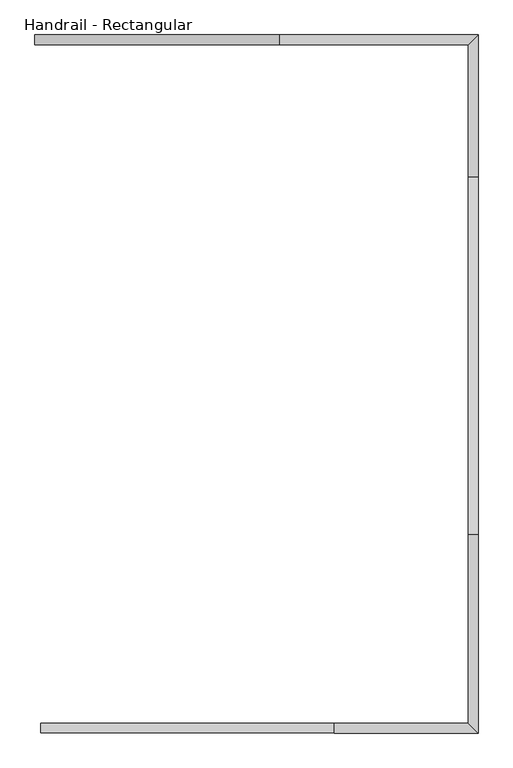
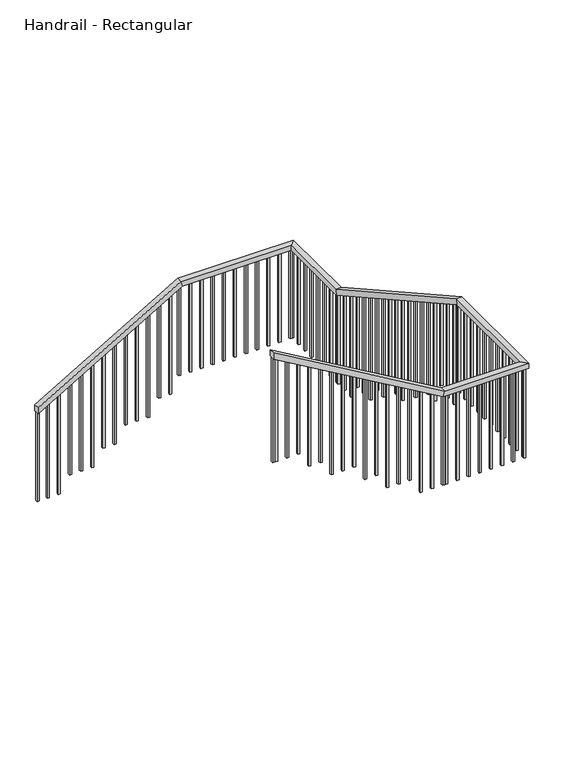
"""IFC4 building model written with IfcOpenShell, lengths in millimetres: railing geometry, Handrail - Rectangular."""

from ifc_helpers import new_model, si_unit, frame, origin, place, context, project, spatial, polyline, outline, extrude, faceted_brep, source, transform, mapped, element, save


def handrail_rectangular_fb0cb64d(model_context):
    return source(origin(), model_context, "Body", "SolidModel", [
        faceted_brep([(1234.6563517, 4473.2830185, 1216.5052632), (1234.6563517, 4473.2830185, 1157.6506912), (1234.6563517, 4422.4830185, 1157.6506912), (1234.6563517, 4422.4830185, 1216.5052632), (2534.6563517, 4473.2830185, 1977.0315789), (2548.4243744, 4473.2830185, 1926.2315789), (2548.4243744, 4422.4830185, 1926.2315789), (2534.6563517, 4422.4830185, 1977.0315789), (3591.8063517, 4473.2830185, 1977.0315789), (3591.8063517, 4473.2830185, 1926.2315789), (3541.0063517, 4422.4830185, 1926.2315789), (3541.0063517, 4422.4830185, 1977.0315789), (3591.8063517, 3719.6625471, 1977.0315789), (3591.8063517, 3706.4139583, 1926.2315789), (3541.0063517, 3706.4139583, 1926.2315789), (3541.0063517, 3719.6625471, 1977.0315789), (3591.8063517, 1817.2058469, 3041.7684211), (3591.8063517, 1803.9572581, 2990.9684211), (3541.0063517, 1803.9572581, 2990.9684211), (3541.0063517, 1817.2058469, 3041.7684211), (3591.8063517, 760.0558469, 3041.7684211), (3591.8063517, 760.0558469, 2990.9684211), (3541.0063517, 810.8558469, 2990.9684211), (3541.0063517, 810.8558469, 3041.7684211), (2826.4063517, 760.0558469, 3041.7684211), (2812.638329, 760.0558469, 2990.9684211), (2812.638329, 810.8558469, 2990.9684211), (2826.4063517, 810.8558469, 3041.7684211), (1266.4063517, 760.0558469, 3954.4), (1266.4063517, 810.8558469, 3954.4), (1266.4063517, 810.8558469, 3895.545428), (1266.4063517, 760.0558469, 3895.545428)], [[[0, 1, 2, 3]], [[1, 0, 4, 5]], [[2, 1, 5, 6]], [[3, 2, 6, 7]], [[0, 3, 7, 4]], [[5, 4, 8, 9]], [[6, 5, 9, 10]], [[7, 6, 10, 11]], [[4, 7, 11, 8]], [[9, 8, 12, 13]], [[10, 9, 13, 14]], [[11, 10, 14, 15]], [[8, 11, 15, 12]], [[13, 12, 16, 17]], [[14, 13, 17, 18]], [[15, 14, 18, 19]], [[12, 15, 19, 16]], [[17, 16, 20, 21]], [[18, 17, 21, 22]], [[19, 18, 22, 23]], [[16, 19, 23, 20]], [[21, 20, 24, 25]], [[22, 21, 25, 26]], [[23, 22, 26, 27]], [[20, 23, 27, 24]], [[28, 29, 30, 31]], [[25, 24, 28, 31]], [[26, 25, 31, 30]], [[27, 26, 30, 29]], [[24, 27, 29, 28]]]),
        extrude(outline(polyline([(3880.0570171, 1292.8813517), (2887.8947368, 1292.8813517), (2887.8947368, 1311.9313517), (3868.9123814, 1311.9313517), (3880.0570171, 1292.8813517)])), frame((0.0, 775.9308469, 0.0), z_axis=(0.0, 1.0, 0.0), x_axis=(0.0, 0.0, 1.0)), (0.0, 0.0, 1.0), 19.05),
        extrude(outline(polyline([(3820.6189604, 1394.4813517), (2887.8947368, 1394.4813517), (2887.8947368, 1413.5313517), (3809.4743248, 1413.5313517), (3820.6189604, 1394.4813517)])), frame((0.0, 775.9308469, 0.0), z_axis=(0.0, 1.0, 0.0), x_axis=(0.0, 0.0, 1.0)), (0.0, 0.0, 1.0), 19.05),
        extrude(outline(polyline([(3761.1809037, 1496.0813517), (2887.8947368, 1496.0813517), (2887.8947368, 1515.1313517), (3750.0362681, 1515.1313517), (3761.1809037, 1496.0813517)])), frame((0.0, 775.9308469, 0.0), z_axis=(0.0, 1.0, 0.0), x_axis=(0.0, 0.0, 1.0)), (0.0, 0.0, 1.0), 19.05),
        extrude(outline(polyline([(3701.742847, 1597.6813517), (2735.7894737, 1597.6813517), (2735.7894737, 1616.7313517), (3690.5982114, 1616.7313517), (3701.742847, 1597.6813517)])), frame((0.0, 775.9308469, 0.0), z_axis=(0.0, 1.0, 0.0), x_axis=(0.0, 0.0, 1.0)), (0.0, 0.0, 1.0), 19.05),
        extrude(outline(polyline([(3642.3047903, 1699.2813517), (2735.7894737, 1699.2813517), (2735.7894737, 1718.3313517), (3631.1601547, 1718.3313517), (3642.3047903, 1699.2813517)])), frame((0.0, 775.9308469, 0.0), z_axis=(0.0, 1.0, 0.0), x_axis=(0.0, 0.0, 1.0)), (0.0, 0.0, 1.0), 19.05),
        extrude(outline(polyline([(3582.8667337, 1800.8813517), (2583.6842105, 1800.8813517), (2583.6842105, 1819.9313517), (3571.722098, 1819.9313517), (3582.8667337, 1800.8813517)])), frame((0.0, 775.9308469, 0.0), z_axis=(0.0, 1.0, 0.0), x_axis=(0.0, 0.0, 1.0)), (0.0, 0.0, 1.0), 19.05),
        extrude(outline(polyline([(3523.428677, 1902.4813517), (2583.6842105, 1902.4813517), (2583.6842105, 1921.5313517), (3512.2840414, 1921.5313517), (3523.428677, 1902.4813517)])), frame((0.0, 775.9308469, 0.0), z_axis=(0.0, 1.0, 0.0), x_axis=(0.0, 0.0, 1.0)), (0.0, 0.0, 1.0), 19.05),
        extrude(outline(polyline([(3463.9906203, 2004.0813517), (2583.6842105, 2004.0813517), (2583.6842105, 2023.1313517), (3452.8459847, 2023.1313517), (3463.9906203, 2004.0813517)])), frame((0.0, 775.9308469, 0.0), z_axis=(0.0, 1.0, 0.0), x_axis=(0.0, 0.0, 1.0)), (0.0, 0.0, 1.0), 19.05),
        extrude(outline(polyline([(3404.5525636, 2105.6813517), (2431.5789474, 2105.6813517), (2431.5789474, 2124.7313517), (3393.407928, 2124.7313517), (3404.5525636, 2105.6813517)])), frame((0.0, 775.9308469, 0.0), z_axis=(0.0, 1.0, 0.0), x_axis=(0.0, 0.0, 1.0)), (0.0, 0.0, 1.0), 19.05),
        extrude(outline(polyline([(3345.1145069, 2207.2813517), (2431.5789474, 2207.2813517), (2431.5789474, 2226.3313517), (3333.9698713, 2226.3313517), (3345.1145069, 2207.2813517)])), frame((0.0, 775.9308469, 0.0), z_axis=(0.0, 1.0, 0.0), x_axis=(0.0, 0.0, 1.0)), (0.0, 0.0, 1.0), 19.05),
        extrude(outline(polyline([(3285.6764503, 2308.8813517), (2279.4736842, 2308.8813517), (2279.4736842, 2327.9313517), (3274.5318146, 2327.9313517), (3285.6764503, 2308.8813517)])), frame((0.0, 775.9308469, 0.0), z_axis=(0.0, 1.0, 0.0), x_axis=(0.0, 0.0, 1.0)), (0.0, 0.0, 1.0), 19.05),
        extrude(outline(polyline([(3226.2383936, 2410.4813517), (2279.4736842, 2410.4813517), (2279.4736842, 2429.5313517), (3215.093758, 2429.5313517), (3226.2383936, 2410.4813517)])), frame((0.0, 775.9308469, 0.0), z_axis=(0.0, 1.0, 0.0), x_axis=(0.0, 0.0, 1.0)), (0.0, 0.0, 1.0), 19.05),
        extrude(outline(polyline([(3166.8003369, 2512.0813517), (2279.4736842, 2512.0813517), (2279.4736842, 2531.1313517), (3155.6557013, 2531.1313517), (3166.8003369, 2512.0813517)])), frame((0.0, 775.9308469, 0.0), z_axis=(0.0, 1.0, 0.0), x_axis=(0.0, 0.0, 1.0)), (0.0, 0.0, 1.0), 19.05),
        extrude(outline(polyline([(3107.3622802, 2613.6813517), (2127.3684211, 2613.6813517), (2127.3684211, 2632.7313517), (3096.2176446, 2632.7313517), (3107.3622802, 2613.6813517)])), frame((0.0, 775.9308469, 0.0), z_axis=(0.0, 1.0, 0.0), x_axis=(0.0, 0.0, 1.0)), (0.0, 0.0, 1.0), 19.05),
        extrude(outline(polyline([(3047.9242235, 2715.2813517), (2127.3684211, 2715.2813517), (2127.3684211, 2734.3313517), (3036.7795879, 2734.3313517), (3047.9242235, 2715.2813517)])), frame((0.0, 775.9308469, 0.0), z_axis=(0.0, 1.0, 0.0), x_axis=(0.0, 0.0, 1.0)), (0.0, 0.0, 1.0), 19.05),
        extrude(outline(polyline([(2864.7313517, 775.9308469), (2845.6813517, 775.9308469), (2845.6813517, 794.9808469), (2864.7313517, 794.9808469), (2864.7313517, 775.9308469)])), frame((0.0, 0.0, 2127.3684211), z_axis=(0.0, 0.0, 1.0), x_axis=(1.0, 0.0, 0.0)), (0.0, 0.0, 1.0), 863.6),
        extrude(outline(polyline([(2966.3313517, 775.9308469), (2947.2813517, 775.9308469), (2947.2813517, 794.9808469), (2966.3313517, 794.9808469), (2966.3313517, 775.9308469)])), frame((0.0, 0.0, 2127.3684211), z_axis=(0.0, 0.0, 1.0), x_axis=(1.0, 0.0, 0.0)), (0.0, 0.0, 1.0), 863.6),
        extrude(outline(polyline([(3067.9313517, 775.9308469), (3048.8813517, 775.9308469), (3048.8813517, 794.9808469), (3067.9313517, 794.9808469), (3067.9313517, 775.9308469)])), frame((0.0, 0.0, 2127.3684211), z_axis=(0.0, 0.0, 1.0), x_axis=(1.0, 0.0, 0.0)), (0.0, 0.0, 1.0), 863.6),
        extrude(outline(polyline([(3169.5313517, 775.9308469), (3150.4813517, 775.9308469), (3150.4813517, 794.9808469), (3169.5313517, 794.9808469), (3169.5313517, 775.9308469)])), frame((0.0, 0.0, 2127.3684211), z_axis=(0.0, 0.0, 1.0), x_axis=(1.0, 0.0, 0.0)), (0.0, 0.0, 1.0), 863.6),
        extrude(outline(polyline([(3271.1313517, 775.9308469), (3252.0813517, 775.9308469), (3252.0813517, 794.9808469), (3271.1313517, 794.9808469), (3271.1313517, 775.9308469)])), frame((0.0, 0.0, 2127.3684211), z_axis=(0.0, 0.0, 1.0), x_axis=(1.0, 0.0, 0.0)), (0.0, 0.0, 1.0), 863.6),
        extrude(outline(polyline([(3372.7313517, 775.9308469), (3353.6813517, 775.9308469), (3353.6813517, 794.9808469), (3372.7313517, 794.9808469), (3372.7313517, 775.9308469)])), frame((0.0, 0.0, 2127.3684211), z_axis=(0.0, 0.0, 1.0), x_axis=(1.0, 0.0, 0.0)), (0.0, 0.0, 1.0), 863.6),
        extrude(outline(polyline([(3474.3313517, 775.9308469), (3455.2813517, 775.9308469), (3455.2813517, 794.9808469), (3474.3313517, 794.9808469), (3474.3313517, 775.9308469)])), frame((0.0, 0.0, 2127.3684211), z_axis=(0.0, 0.0, 1.0), x_axis=(1.0, 0.0, 0.0)), (0.0, 0.0, 1.0), 863.6),
        extrude(outline(polyline([(3575.9313517, 810.7308469), (3575.9313517, 791.6808469), (3556.8813517, 791.6808469), (3556.8813517, 810.7308469), (3575.9313517, 810.7308469)])), frame((0.0, 0.0, 2127.3684211), z_axis=(0.0, 0.0, 1.0), x_axis=(1.0, 0.0, 0.0)), (0.0, 0.0, 1.0), 863.6),
        extrude(outline(polyline([(3575.9313517, 912.3308469), (3575.9313517, 893.2808469), (3556.8813517, 893.2808469), (3556.8813517, 912.3308469), (3575.9313517, 912.3308469)])), frame((0.0, 0.0, 2127.3684211), z_axis=(0.0, 0.0, 1.0), x_axis=(1.0, 0.0, 0.0)), (0.0, 0.0, 1.0), 863.6),
        extrude(outline(polyline([(3575.9313517, 1013.9308469), (3575.9313517, 994.8808469), (3556.8813517, 994.8808469), (3556.8813517, 1013.9308469), (3575.9313517, 1013.9308469)])), frame((0.0, 0.0, 2127.3684211), z_axis=(0.0, 0.0, 1.0), x_axis=(1.0, 0.0, 0.0)), (0.0, 0.0, 1.0), 863.6),
        extrude(outline(polyline([(3575.9313517, 1115.5308469), (3575.9313517, 1096.4808469), (3556.8813517, 1096.4808469), (3556.8813517, 1115.5308469), (3575.9313517, 1115.5308469)])), frame((0.0, 0.0, 2127.3684211), z_axis=(0.0, 0.0, 1.0), x_axis=(1.0, 0.0, 0.0)), (0.0, 0.0, 1.0), 863.6),
        extrude(outline(polyline([(3575.9313517, 1217.1308469), (3575.9313517, 1198.0808469), (3556.8813517, 1198.0808469), (3556.8813517, 1217.1308469), (3575.9313517, 1217.1308469)])), frame((0.0, 0.0, 2127.3684211), z_axis=(0.0, 0.0, 1.0), x_axis=(1.0, 0.0, 0.0)), (0.0, 0.0, 1.0), 863.6),
        extrude(outline(polyline([(3575.9313517, 1318.7308469), (3575.9313517, 1299.6808469), (3556.8813517, 1299.6808469), (3556.8813517, 1318.7308469), (3575.9313517, 1318.7308469)])), frame((0.0, 0.0, 2127.3684211), z_axis=(0.0, 0.0, 1.0), x_axis=(1.0, 0.0, 0.0)), (0.0, 0.0, 1.0), 863.6),
        extrude(outline(polyline([(3575.9313517, 1420.3308469), (3575.9313517, 1401.2808469), (3556.8813517, 1401.2808469), (3556.8813517, 1420.3308469), (3575.9313517, 1420.3308469)])), frame((0.0, 0.0, 2127.3684211), z_axis=(0.0, 0.0, 1.0), x_axis=(1.0, 0.0, 0.0)), (0.0, 0.0, 1.0), 863.6),
        extrude(outline(polyline([(3575.9313517, 1521.9308469), (3575.9313517, 1502.8808469), (3556.8813517, 1502.8808469), (3556.8813517, 1521.9308469), (3575.9313517, 1521.9308469)])), frame((0.0, 0.0, 2127.3684211), z_axis=(0.0, 0.0, 1.0), x_axis=(1.0, 0.0, 0.0)), (0.0, 0.0, 1.0), 863.6),
        extrude(outline(polyline([(3575.9313517, 1623.5308469), (3575.9313517, 1604.4808469), (3556.8813517, 1604.4808469), (3556.8813517, 1623.5308469), (3575.9313517, 1623.5308469)])), frame((0.0, 0.0, 2127.3684211), z_axis=(0.0, 0.0, 1.0), x_axis=(1.0, 0.0, 0.0)), (0.0, 0.0, 1.0), 863.6),
        extrude(outline(polyline([(3575.9313517, 1725.1308469), (3575.9313517, 1706.0808469), (3556.8813517, 1706.0808469), (3556.8813517, 1725.1308469), (3575.9313517, 1725.1308469)])), frame((0.0, 0.0, 2127.3684211), z_axis=(0.0, 0.0, 1.0), x_axis=(1.0, 0.0, 0.0)), (0.0, 0.0, 1.0), 863.6),
        extrude(outline(polyline([(1900.3875471, 2936.9998438), (1900.3875471, 1975.2631579), (1881.3375471, 1975.2631579), (1881.3375471, 2947.6614461), (1900.3875471, 2936.9998438)])), frame((3556.8813517, 0.0, 0.0), z_axis=(1.0, 0.0, 0.0), x_axis=(0.0, 1.0, 0.0)), (0.0, 0.0, 1.0), 19.05),
        extrude(outline(polyline([(2001.9875471, 2880.1379645), (2001.9875471, 1975.2631579), (1982.9375471, 1975.2631579), (1982.9375471, 2890.7995669), (2001.9875471, 2880.1379645)])), frame((3556.8813517, 0.0, 0.0), z_axis=(1.0, 0.0, 0.0), x_axis=(0.0, 1.0, 0.0)), (0.0, 0.0, 1.0), 19.05),
        extrude(outline(polyline([(2103.5875471, 2823.2760853), (2103.5875471, 2022.9363571), (2084.5375471, 2033.5979595), (2084.5375471, 2833.9376876), (2103.5875471, 2823.2760853)])), frame((3556.8813517, 0.0, 0.0), z_axis=(1.0, 0.0, 0.0), x_axis=(0.0, 1.0, 0.0)), (0.0, 0.0, 1.0), 19.05),
        extrude(outline(polyline([(2205.1875471, 2766.414206), (2205.1875471, 1823.1578947), (2186.1375471, 1823.1578947), (2186.1375471, 2777.0758084), (2205.1875471, 2766.414206)])), frame((3556.8813517, 0.0, 0.0), z_axis=(1.0, 0.0, 0.0), x_axis=(0.0, 1.0, 0.0)), (0.0, 0.0, 1.0), 19.05),
        extrude(outline(polyline([(2306.7875471, 2709.5523268), (2306.7875471, 1823.1578947), (2287.7375471, 1823.1578947), (2287.7375471, 2720.2139292), (2306.7875471, 2709.5523268)])), frame((3556.8813517, 0.0, 0.0), z_axis=(1.0, 0.0, 0.0), x_axis=(0.0, 1.0, 0.0)), (0.0, 0.0, 1.0), 19.05),
        extrude(outline(polyline([(2408.3875471, 2652.6904475), (2408.3875471, 1852.3507194), (2389.3375471, 1863.0123218), (2389.3375471, 2663.3520499), (2408.3875471, 2652.6904475)])), frame((3556.8813517, 0.0, 0.0), z_axis=(1.0, 0.0, 0.0), x_axis=(0.0, 1.0, 0.0)), (0.0, 0.0, 1.0), 19.05),
        extrude(outline(polyline([(2509.9875471, 2595.8285683), (2509.9875471, 1671.0526316), (2490.9375471, 1671.0526316), (2490.9375471, 2606.4901707), (2509.9875471, 2595.8285683)])), frame((3556.8813517, 0.0, 0.0), z_axis=(1.0, 0.0, 0.0), x_axis=(0.0, 1.0, 0.0)), (0.0, 0.0, 1.0), 19.05),
        extrude(outline(polyline([(2611.5875471, 2538.9666891), (2611.5875471, 1671.0526316), (2592.5375471, 1671.0526316), (2592.5375471, 2549.6282914), (2611.5875471, 2538.9666891)])), frame((3556.8813517, 0.0, 0.0), z_axis=(1.0, 0.0, 0.0), x_axis=(0.0, 1.0, 0.0)), (0.0, 0.0, 1.0), 19.05),
        extrude(outline(polyline([(2713.1875471, 2482.1048098), (2713.1875471, 1518.9473684), (2694.1375471, 1518.9473684), (2694.1375471, 2492.7664122), (2713.1875471, 2482.1048098)])), frame((3556.8813517, 0.0, 0.0), z_axis=(1.0, 0.0, 0.0), x_axis=(0.0, 1.0, 0.0)), (0.0, 0.0, 1.0), 19.05),
        extrude(outline(polyline([(2814.7875471, 2425.2429306), (2814.7875471, 1518.9473684), (2795.7375471, 1518.9473684), (2795.7375471, 2435.9045329), (2814.7875471, 2425.2429306)])), frame((3556.8813517, 0.0, 0.0), z_axis=(1.0, 0.0, 0.0), x_axis=(0.0, 1.0, 0.0)), (0.0, 0.0, 1.0), 19.05),
        extrude(outline(polyline([(2916.3875471, 2368.3810513), (2916.3875471, 1568.0413232), (2897.3375471, 1578.7029255), (2897.3375471, 2379.0426537), (2916.3875471, 2368.3810513)])), frame((3556.8813517, 0.0, 0.0), z_axis=(1.0, 0.0, 0.0), x_axis=(0.0, 1.0, 0.0)), (0.0, 0.0, 1.0), 19.05),
        extrude(outline(polyline([(3017.9875471, 2311.5191721), (3017.9875471, 1366.8421053), (2998.9375471, 1366.8421053), (2998.9375471, 2322.1807744), (3017.9875471, 2311.5191721)])), frame((3556.8813517, 0.0, 0.0), z_axis=(1.0, 0.0, 0.0), x_axis=(0.0, 1.0, 0.0)), (0.0, 0.0, 1.0), 19.05),
        extrude(outline(polyline([(3119.5875471, 2254.6572928), (3119.5875471, 1366.8421053), (3100.5375471, 1366.8421053), (3100.5375471, 2265.3188952), (3119.5875471, 2254.6572928)])), frame((3556.8813517, 0.0, 0.0), z_axis=(1.0, 0.0, 0.0), x_axis=(0.0, 1.0, 0.0)), (0.0, 0.0, 1.0), 19.05),
        extrude(outline(polyline([(3221.1875471, 2197.7954136), (3221.1875471, 1214.7368421), (3202.1375471, 1214.7368421), (3202.1375471, 2208.457016), (3221.1875471, 2197.7954136)])), frame((3556.8813517, 0.0, 0.0), z_axis=(1.0, 0.0, 0.0), x_axis=(0.0, 1.0, 0.0)), (0.0, 0.0, 1.0), 19.05),
        extrude(outline(polyline([(3322.7875471, 2140.9335344), (3322.7875471, 1214.7368421), (3303.7375471, 1214.7368421), (3303.7375471, 2151.5951367), (3322.7875471, 2140.9335344)])), frame((3556.8813517, 0.0, 0.0), z_axis=(1.0, 0.0, 0.0), x_axis=(0.0, 1.0, 0.0)), (0.0, 0.0, 1.0), 19.05),
        extrude(outline(polyline([(3424.3875471, 2084.0716551), (3424.3875471, 1214.7368421), (3405.3375471, 1214.7368421), (3405.3375471, 2094.7332575), (3424.3875471, 2084.0716551)])), frame((3556.8813517, 0.0, 0.0), z_axis=(1.0, 0.0, 0.0), x_axis=(0.0, 1.0, 0.0)), (0.0, 0.0, 1.0), 19.05),
        extrude(outline(polyline([(3525.9875471, 2027.2097759), (3525.9875471, 1062.6315789), (3506.9375471, 1062.6315789), (3506.9375471, 2037.8713782), (3525.9875471, 2027.2097759)])), frame((3556.8813517, 0.0, 0.0), z_axis=(1.0, 0.0, 0.0), x_axis=(0.0, 1.0, 0.0)), (0.0, 0.0, 1.0), 19.05),
        extrude(outline(polyline([(3627.5875471, 1970.3478966), (3627.5875471, 1062.6315789), (3608.5375471, 1062.6315789), (3608.5375471, 1981.009499), (3627.5875471, 1970.3478966)])), frame((3556.8813517, 0.0, 0.0), z_axis=(1.0, 0.0, 0.0), x_axis=(0.0, 1.0, 0.0)), (0.0, 0.0, 1.0), 19.05),
        extrude(outline(polyline([(3575.9313517, 3746.2080185), (3575.9313517, 3727.1580185), (3556.8813517, 3727.1580185), (3556.8813517, 3746.2080185), (3575.9313517, 3746.2080185)])), frame((0.0, 0.0, 1062.6315789), z_axis=(0.0, 0.0, 1.0), x_axis=(1.0, 0.0, 0.0)), (0.0, 0.0, 1.0), 863.6),
        extrude(outline(polyline([(3575.9313517, 3847.8080185), (3575.9313517, 3828.7580185), (3556.8813517, 3828.7580185), (3556.8813517, 3847.8080185), (3575.9313517, 3847.8080185)])), frame((0.0, 0.0, 1062.6315789), z_axis=(0.0, 0.0, 1.0), x_axis=(1.0, 0.0, 0.0)), (0.0, 0.0, 1.0), 863.6),
        extrude(outline(polyline([(3575.9313517, 3949.4080185), (3575.9313517, 3930.3580185), (3556.8813517, 3930.3580185), (3556.8813517, 3949.4080185), (3575.9313517, 3949.4080185)])), frame((0.0, 0.0, 1062.6315789), z_axis=(0.0, 0.0, 1.0), x_axis=(1.0, 0.0, 0.0)), (0.0, 0.0, 1.0), 863.6),
        extrude(outline(polyline([(3575.9313517, 4051.0080185), (3575.9313517, 4031.9580185), (3556.8813517, 4031.9580185), (3556.8813517, 4051.0080185), (3575.9313517, 4051.0080185)])), frame((0.0, 0.0, 1062.6315789), z_axis=(0.0, 0.0, 1.0), x_axis=(1.0, 0.0, 0.0)), (0.0, 0.0, 1.0), 863.6),
        extrude(outline(polyline([(3575.9313517, 4152.6080185), (3575.9313517, 4133.5580185), (3556.8813517, 4133.5580185), (3556.8813517, 4152.6080185), (3575.9313517, 4152.6080185)])), frame((0.0, 0.0, 1062.6315789), z_axis=(0.0, 0.0, 1.0), x_axis=(1.0, 0.0, 0.0)), (0.0, 0.0, 1.0), 863.6),
        extrude(outline(polyline([(3575.9313517, 4254.2080185), (3575.9313517, 4235.1580185), (3556.8813517, 4235.1580185), (3556.8813517, 4254.2080185), (3575.9313517, 4254.2080185)])), frame((0.0, 0.0, 1062.6315789), z_axis=(0.0, 0.0, 1.0), x_axis=(1.0, 0.0, 0.0)), (0.0, 0.0, 1.0), 863.6),
        extrude(outline(polyline([(3575.9313517, 4355.8080185), (3575.9313517, 4336.7580185), (3556.8813517, 4336.7580185), (3556.8813517, 4355.8080185), (3575.9313517, 4355.8080185)])), frame((0.0, 0.0, 1062.6315789), z_axis=(0.0, 0.0, 1.0), x_axis=(1.0, 0.0, 0.0)), (0.0, 0.0, 1.0), 863.6),
        extrude(outline(polyline([(3541.1313517, 4457.4080185), (3560.1813517, 4457.4080185), (3560.1813517, 4438.3580185), (3541.1313517, 4438.3580185), (3541.1313517, 4457.4080185)])), frame((0.0, 0.0, 1062.6315789), z_axis=(0.0, 0.0, 1.0), x_axis=(1.0, 0.0, 0.0)), (0.0, 0.0, 1.0), 863.6),
        extrude(outline(polyline([(3439.5313517, 4457.4080185), (3458.5813517, 4457.4080185), (3458.5813517, 4438.3580185), (3439.5313517, 4438.3580185), (3439.5313517, 4457.4080185)])), frame((0.0, 0.0, 1062.6315789), z_axis=(0.0, 0.0, 1.0), x_axis=(1.0, 0.0, 0.0)), (0.0, 0.0, 1.0), 863.6),
        extrude(outline(polyline([(3337.9313517, 4457.4080185), (3356.9813517, 4457.4080185), (3356.9813517, 4438.3580185), (3337.9313517, 4438.3580185), (3337.9313517, 4457.4080185)])), frame((0.0, 0.0, 1062.6315789), z_axis=(0.0, 0.0, 1.0), x_axis=(1.0, 0.0, 0.0)), (0.0, 0.0, 1.0), 863.6),
        extrude(outline(polyline([(3236.3313517, 4457.4080185), (3255.3813517, 4457.4080185), (3255.3813517, 4438.3580185), (3236.3313517, 4438.3580185), (3236.3313517, 4457.4080185)])), frame((0.0, 0.0, 1062.6315789), z_axis=(0.0, 0.0, 1.0), x_axis=(1.0, 0.0, 0.0)), (0.0, 0.0, 1.0), 863.6),
        extrude(outline(polyline([(3134.7313517, 4457.4080185), (3153.7813517, 4457.4080185), (3153.7813517, 4438.3580185), (3134.7313517, 4438.3580185), (3134.7313517, 4457.4080185)])), frame((0.0, 0.0, 1062.6315789), z_axis=(0.0, 0.0, 1.0), x_axis=(1.0, 0.0, 0.0)), (0.0, 0.0, 1.0), 863.6),
        extrude(outline(polyline([(3033.1313517, 4457.4080185), (3052.1813517, 4457.4080185), (3052.1813517, 4438.3580185), (3033.1313517, 4438.3580185), (3033.1313517, 4457.4080185)])), frame((0.0, 0.0, 1062.6315789), z_axis=(0.0, 0.0, 1.0), x_axis=(1.0, 0.0, 0.0)), (0.0, 0.0, 1.0), 863.6),
        extrude(outline(polyline([(2931.5313517, 4457.4080185), (2950.5813517, 4457.4080185), (2950.5813517, 4438.3580185), (2931.5313517, 4438.3580185), (2931.5313517, 4457.4080185)])), frame((0.0, 0.0, 1062.6315789), z_axis=(0.0, 0.0, 1.0), x_axis=(1.0, 0.0, 0.0)), (0.0, 0.0, 1.0), 863.6),
        extrude(outline(polyline([(2829.9313517, 4457.4080185), (2848.9813517, 4457.4080185), (2848.9813517, 4438.3580185), (2829.9313517, 4438.3580185), (2829.9313517, 4457.4080185)])), frame((0.0, 0.0, 1062.6315789), z_axis=(0.0, 0.0, 1.0), x_axis=(1.0, 0.0, 0.0)), (0.0, 0.0, 1.0), 863.6),
        extrude(outline(polyline([(2728.3313517, 4457.4080185), (2747.3813517, 4457.4080185), (2747.3813517, 4438.3580185), (2728.3313517, 4438.3580185), (2728.3313517, 4457.4080185)])), frame((0.0, 0.0, 1062.6315789), z_axis=(0.0, 0.0, 1.0), x_axis=(1.0, 0.0, 0.0)), (0.0, 0.0, 1.0), 863.6),
        extrude(outline(polyline([(2626.7313517, 4457.4080185), (2645.7813517, 4457.4080185), (2645.7813517, 4438.3580185), (2626.7313517, 4438.3580185), (2626.7313517, 4457.4080185)])), frame((0.0, 0.0, 1062.6315789), z_axis=(0.0, 0.0, 1.0), x_axis=(1.0, 0.0, 0.0)), (0.0, 0.0, 1.0), 863.6),
        extrude(outline(polyline([(1865.3350535, 2444.3313517), (910.5263158, 2444.3313517), (910.5263158, 2463.3813517), (1876.4796891, 2463.3813517), (1865.3350535, 2444.3313517)])), frame((0.0, 4438.3580185, 0.0), z_axis=(0.0, 1.0, 0.0), x_axis=(0.0, 0.0, 1.0)), (0.0, 0.0, 1.0), 19.05),
        extrude(outline(polyline([(1805.8969968, 2342.7313517), (910.5263158, 2342.7313517), (910.5263158, 2361.7813517), (1817.0416325, 2361.7813517), (1805.8969968, 2342.7313517)])), frame((0.0, 4438.3580185, 0.0), z_axis=(0.0, 1.0, 0.0), x_axis=(0.0, 0.0, 1.0)), (0.0, 0.0, 1.0), 19.05),
        extrude(outline(polyline([(1746.4589401, 2241.1313517), (758.4210526, 2241.1313517), (758.4210526, 2260.1813517), (1757.6035758, 2260.1813517), (1746.4589401, 2241.1313517)])), frame((0.0, 4438.3580185, 0.0), z_axis=(0.0, 1.0, 0.0), x_axis=(0.0, 0.0, 1.0)), (0.0, 0.0, 1.0), 19.05),
        extrude(outline(polyline([(1687.0208835, 2139.5313517), (758.4210526, 2139.5313517), (758.4210526, 2158.5813517), (1698.1655191, 2158.5813517), (1687.0208835, 2139.5313517)])), frame((0.0, 4438.3580185, 0.0), z_axis=(0.0, 1.0, 0.0), x_axis=(0.0, 0.0, 1.0)), (0.0, 0.0, 1.0), 19.05),
        extrude(outline(polyline([(1627.5828268, 2037.9313517), (758.4210526, 2037.9313517), (758.4210526, 2056.9813517), (1638.7274624, 2056.9813517), (1627.5828268, 2037.9313517)])), frame((0.0, 4438.3580185, 0.0), z_axis=(0.0, 1.0, 0.0), x_axis=(0.0, 0.0, 1.0)), (0.0, 0.0, 1.0), 19.05),
        extrude(outline(polyline([(1568.1447701, 1936.3313517), (606.3157895, 1936.3313517), (606.3157895, 1955.3813517), (1579.2894057, 1955.3813517), (1568.1447701, 1936.3313517)])), frame((0.0, 4438.3580185, 0.0), z_axis=(0.0, 1.0, 0.0), x_axis=(0.0, 0.0, 1.0)), (0.0, 0.0, 1.0), 19.05),
        extrude(outline(polyline([(1508.7067134, 1834.7313517), (606.3157895, 1834.7313517), (606.3157895, 1853.7813517), (1519.8513491, 1853.7813517), (1508.7067134, 1834.7313517)])), frame((0.0, 4438.3580185, 0.0), z_axis=(0.0, 1.0, 0.0), x_axis=(0.0, 0.0, 1.0)), (0.0, 0.0, 1.0), 19.05),
        extrude(outline(polyline([(1449.2686567, 1733.1313517), (454.2105263, 1733.1313517), (454.2105263, 1752.1813517), (1460.4132924, 1752.1813517), (1449.2686567, 1733.1313517)])), frame((0.0, 4438.3580185, 0.0), z_axis=(0.0, 1.0, 0.0), x_axis=(0.0, 0.0, 1.0)), (0.0, 0.0, 1.0), 19.05),
        extrude(outline(polyline([(1389.8306001, 1631.5313517), (454.2105263, 1631.5313517), (454.2105263, 1650.5813517), (1400.9752357, 1650.5813517), (1389.8306001, 1631.5313517)])), frame((0.0, 4438.3580185, 0.0), z_axis=(0.0, 1.0, 0.0), x_axis=(0.0, 0.0, 1.0)), (0.0, 0.0, 1.0), 19.05),
        extrude(outline(polyline([(1330.3925434, 1529.9313517), (454.2105263, 1529.9313517), (454.2105263, 1548.9813517), (1341.537179, 1548.9813517), (1330.3925434, 1529.9313517)])), frame((0.0, 4438.3580185, 0.0), z_axis=(0.0, 1.0, 0.0), x_axis=(0.0, 0.0, 1.0)), (0.0, 0.0, 1.0), 19.05),
        extrude(outline(polyline([(1270.9544867, 1428.3313517), (302.1052632, 1428.3313517), (302.1052632, 1447.3813517), (1282.0991223, 1447.3813517), (1270.9544867, 1428.3313517)])), frame((0.0, 4438.3580185, 0.0), z_axis=(0.0, 1.0, 0.0), x_axis=(0.0, 0.0, 1.0)), (0.0, 0.0, 1.0), 19.05),
        extrude(outline(polyline([(1211.51643, 1326.7313517), (302.1052632, 1326.7313517), (302.1052632, 1345.7813517), (1222.6610657, 1345.7813517), (1211.51643, 1326.7313517)])), frame((0.0, 4438.3580185, 0.0), z_axis=(0.0, 1.0, 0.0), x_axis=(0.0, 0.0, 1.0)), (0.0, 0.0, 1.0), 19.05),
        extrude(outline(polyline([(2835.9313517, 775.9308469), (2816.8813517, 775.9308469), (2816.8813517, 794.9808469), (2835.9313517, 794.9808469), (2835.9313517, 775.9308469)])), frame((0.0, 0.0, 2127.3684211), z_axis=(0.0, 0.0, 1.0), x_axis=(1.0, 0.0, 0.0)), (0.0, 0.0, 1.0), 863.6),
        extrude(outline(polyline([(3575.9313517, 794.9808469), (3575.9313517, 775.9308469), (3556.8813517, 775.9308469), (3556.8813517, 794.9808469), (3575.9313517, 794.9808469)])), frame((0.0, 0.0, 2127.3684211), z_axis=(0.0, 0.0, 1.0), x_axis=(1.0, 0.0, 0.0)), (0.0, 0.0, 1.0), 863.6),
        extrude(outline(polyline([(1826.7308469, 2978.2228595), (1826.7308469, 2127.3684211), (1807.6808469, 2127.3684211), (1807.6808469, 2988.8844618), (1826.7308469, 2978.2228595)])), frame((3556.8813517, 0.0, 0.0), z_axis=(1.0, 0.0, 0.0), x_axis=(0.0, 1.0, 0.0)), (0.0, 0.0, 1.0), 19.05),
        extrude(outline(polyline([(3729.1875471, 1913.4860174), (3729.1875471, 1062.6315789), (3710.1375471, 1062.6315789), (3710.1375471, 1924.1476197), (3729.1875471, 1913.4860174)])), frame((3556.8813517, 0.0, 0.0), z_axis=(1.0, 0.0, 0.0), x_axis=(0.0, 1.0, 0.0)), (0.0, 0.0, 1.0), 19.05),
        extrude(outline(polyline([(3556.8813517, 4457.4080185), (3575.9313517, 4457.4080185), (3575.9313517, 4438.3580185), (3556.8813517, 4438.3580185), (3556.8813517, 4457.4080185)])), frame((0.0, 0.0, 1062.6315789), z_axis=(0.0, 0.0, 1.0), x_axis=(1.0, 0.0, 0.0)), (0.0, 0.0, 1.0), 863.6),
        extrude(outline(polyline([(1912.6046891, 2525.1313517), (1062.6315789, 2525.1313517), (1062.6315789, 2544.1813517), (1923.7493248, 2544.1813517), (1912.6046891, 2525.1313517)])), frame((0.0, 4438.3580185, 0.0), z_axis=(0.0, 1.0, 0.0), x_axis=(0.0, 0.0, 1.0)), (0.0, 0.0, 1.0), 19.05),
        extrude(outline(polyline([(3895.545428, 1266.4063517), (2887.8947368, 1266.4063517), (2887.8947368, 1285.4563517), (3884.4007924, 1285.4563517), (3895.545428, 1266.4063517)])), frame((0.0, 775.9308469, 0.0), z_axis=(0.0, 1.0, 0.0), x_axis=(0.0, 0.0, 1.0)), (0.0, 0.0, 1.0), 19.05),
        extrude(outline(polyline([(1157.6506912, 1234.6563517), (302.1052632, 1234.6563517), (302.1052632, 1253.7063517), (1168.7953268, 1253.7063517), (1157.6506912, 1234.6563517)])), frame((0.0, 4438.3580185, 0.0), z_axis=(0.0, 1.0, 0.0), x_axis=(0.0, 0.0, 1.0)), (0.0, 0.0, 1.0), 19.05),
    ])


if __name__ == "__main__":
    model = new_model("IFC4")
    model_context = context("Model", 3, world=origin())
    ifc_project = project(units=[si_unit("LENGTHUNIT", "METRE", prefix="MILLI")], contexts=[model_context])
    site = spatial("IfcSite", under=ifc_project)
    building = spatial("IfcBuilding", under=site)
    placement = place(None, origin())
    handrail_rectangular_shape = handrail_rectangular_fb0cb64d(model_context)
    element("IfcRailing", 1, ObjectType="Handrail - Rectangular", at=placement, inside=building, context=model_context, shape_type="MappedRepresentation", body=[
        mapped(handrail_rectangular_shape, transform((0.0, 0.0, 0.0), x_axis=(1.0, 0.0, 0.0), y_axis=(0.0, 1.0, 0.0), z_axis=(0.0, 0.0, 1.0))),
    ])
    save(model, "model.ifc")
